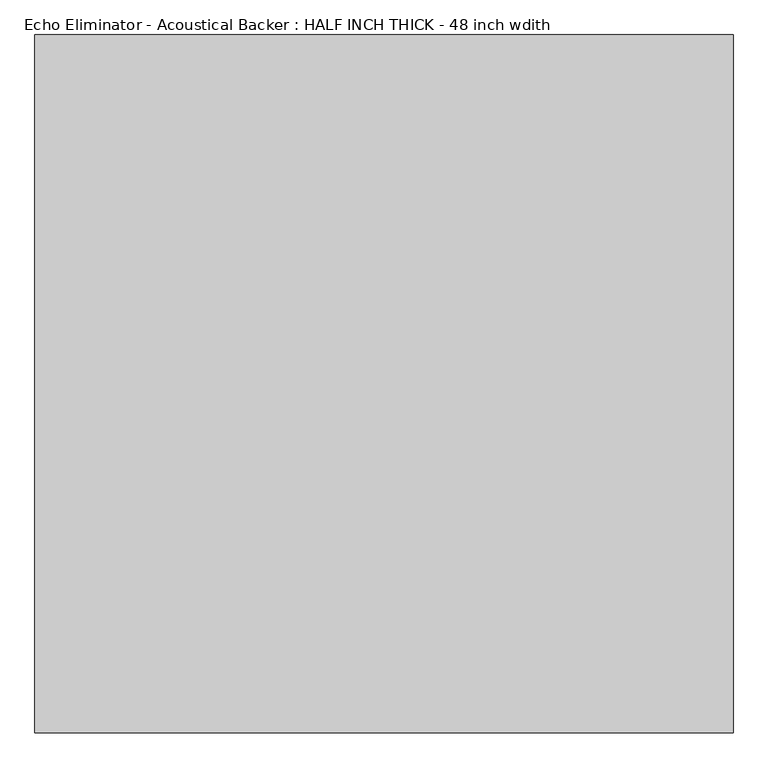
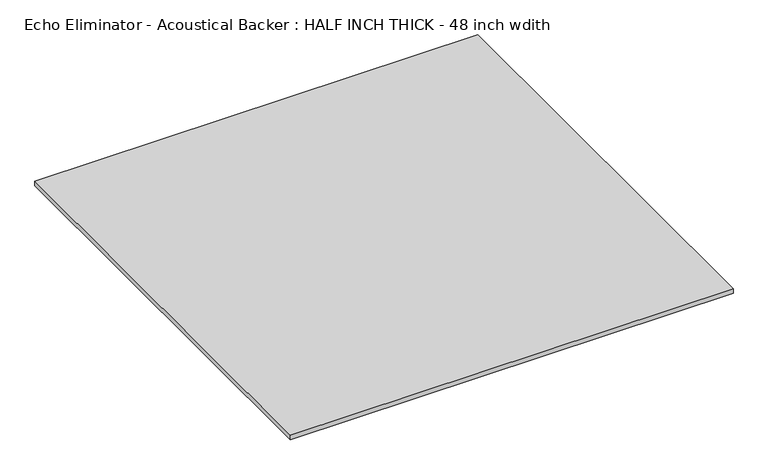
"""IFC4 building model written with IfcOpenShell, lengths in millimetres: proxy geometry, Echo Eliminator - Acoustical Backer : HALF INCH THICK - 48 inch wdith."""

from ifc_helpers import new_model, si_unit, origin, origin_with_axes, place, context, project, spatial, polyline, outline, extrude, source, transform, mapped, element, save


def echo_eliminator_acoustical_backer_half_inch_thick_48_inch_94b520a3(model_context):
    return source(origin(), model_context, "Body", "SweptSolid", [
        extrude(outline(polyline([(-609.6, 609.6), (609.6, 609.6), (609.6, -609.6), (-609.6, -609.6), (-609.6, 609.6)])), origin_with_axes(), (0.0, 0.0, 1.0), 12.7),
    ])


if __name__ == "__main__":
    model = new_model("IFC4")
    model_context = context("Model", 3, world=origin())
    ifc_project = project(units=[si_unit("LENGTHUNIT", "METRE", prefix="MILLI")], contexts=[model_context])
    site = spatial("IfcSite", under=ifc_project)
    building = spatial("IfcBuilding", under=site)
    placement = place(None, origin())
    echo_eliminator_acoustical_backer_half_inch_thick_48_inch_shape = echo_eliminator_acoustical_backer_half_inch_thick_48_inch_94b520a3(model_context)
    element("IfcBuildingElementProxy", 1, Name="Echo Eliminator - Acoustical Backer : HALF INCH THICK - 48 inch wdith", ObjectType="Echo Eliminator - Acoustical Backer : HALF INCH THICK - 48 inch wdith", at=placement, inside=building, context=model_context, shape_type="MappedRepresentation", body=[
        mapped(echo_eliminator_acoustical_backer_half_inch_thick_48_inch_shape, transform((0.0, 0.0, 0.0), x_axis=(1.0, 0.0, 0.0), y_axis=(0.0, 1.0, 0.0), z_axis=(0.0, 0.0, 1.0))),
    ])
    save(model, "model.ifc")
